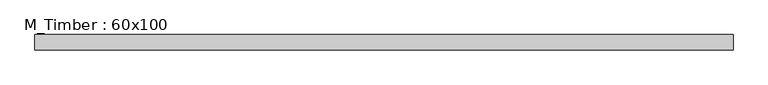
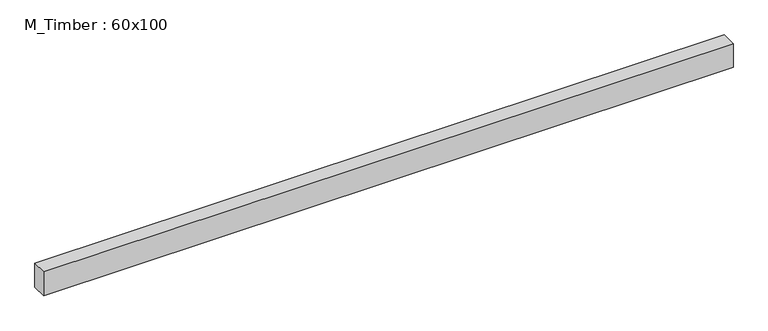
"""IFC4 building model written with IfcOpenShell, lengths in millimetres: beam geometry, M_Timber : 60x100."""

from ifc_helpers import new_model, si_unit, frame, origin, place, context, project, spatial, polyline, outline, extrude, source, transform, mapped, element, save


def m_timber_60x100_c2c2294e(model_context):
    return source(origin(), model_context, "Body", "SweptSolid", [
        extrude(outline(polyline([(1270.3835233, 30.0), (1270.3835233, -30.0), (-1463.7182035, -30.0), (-1463.7182035, 30.0), (1270.3835233, 30.0)])), frame((0.0, 0.0, -50.0), z_axis=(0.0, 0.0, 1.0), x_axis=(1.0, 0.0, 0.0)), (0.0, 0.0, 1.0), 100.0),
    ])


if __name__ == "__main__":
    model = new_model("IFC4")
    model_context = context("Model", 3, world=origin())
    ifc_project = project(units=[si_unit("LENGTHUNIT", "METRE", prefix="MILLI")], contexts=[model_context])
    site = spatial("IfcSite", under=ifc_project)
    building = spatial("IfcBuilding", under=site)
    placement = place(None, origin())
    m_timber_60x100_shape = m_timber_60x100_c2c2294e(model_context)
    element("IfcBeam", 1, ObjectType="M_Timber : 60x100", at=placement, inside=building, context=model_context, shape_type="MappedRepresentation", body=[
        mapped(m_timber_60x100_shape, transform((0.0, 0.0, 0.0), x_axis=(1.0, 0.0, 0.0), y_axis=(0.0, 1.0, 0.0), z_axis=(0.0, 0.0, 1.0))),
    ])
    save(model, "model.ifc")
